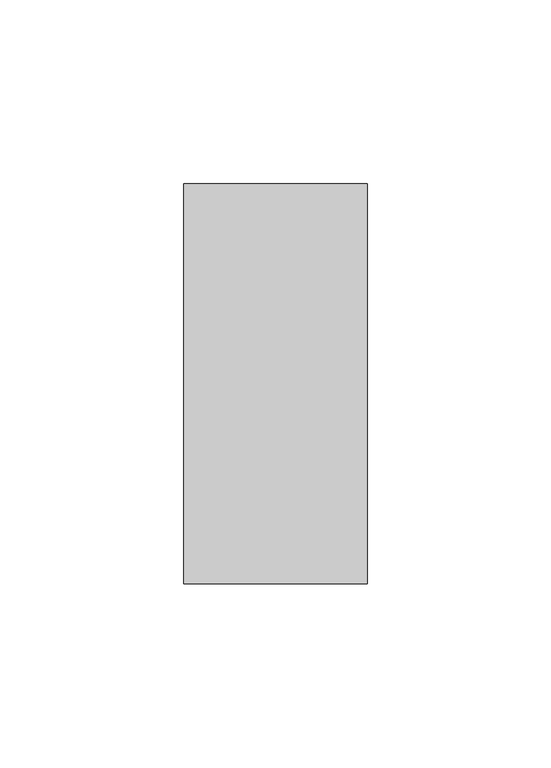
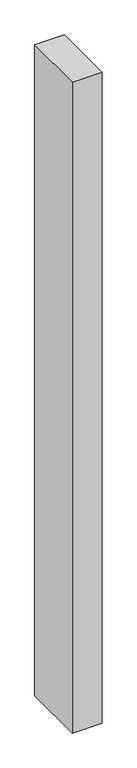
"""IFC4 building model written with IfcOpenShell, lengths in millimetres: member geometry."""

from ifc_helpers import new_model, si_unit, frame, origin, place, context, project, spatial, polyline, outline, extrude, source, transform, mapped, element, save


def member_5a7c0c36(model_context):
    return source(origin(), model_context, "Body", "SweptSolid", [
        extrude(outline(polyline([(-25.0, -18.0), (-25.0, 91.0), (25.0, 91.0), (25.0, -18.0), (-25.0, -18.0)])), frame((0.0, 0.0, -1150.0000003), z_axis=(0.0, 0.0, 1.0), x_axis=(1.0, 0.0, 0.0)), (0.0, 0.0, 1.0), 1150.0000003),
    ])


if __name__ == "__main__":
    model = new_model("IFC4")
    model_context = context("Model", 3, world=origin())
    ifc_project = project(units=[si_unit("LENGTHUNIT", "METRE", prefix="MILLI")], contexts=[model_context])
    site = spatial("IfcSite", under=ifc_project)
    building = spatial("IfcBuilding", under=site)
    placement = place(None, origin())
    member_shape = member_5a7c0c36(model_context)
    element("IfcMember", 1, at=placement, inside=building, context=model_context, shape_type="MappedRepresentation", body=[
        mapped(member_shape, transform((0.0, 0.0, 0.0), x_axis=(1.0, 0.0, 0.0), y_axis=(0.0, 1.0, 0.0), z_axis=(0.0, 0.0, 1.0))),
    ])
    save(model, "model.ifc")
